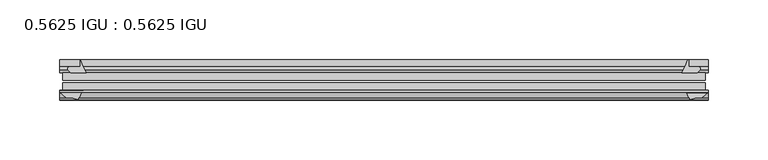
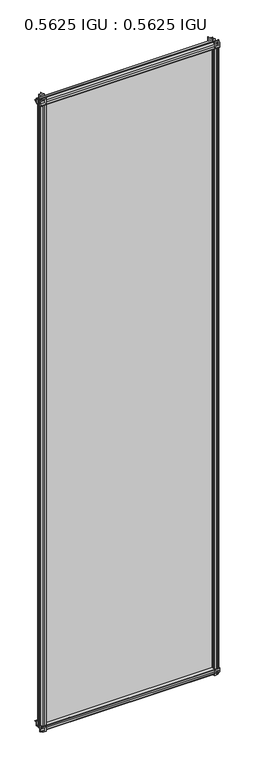
"""IFC4 building model written with IfcOpenShell, lengths in millimetres: plate geometry, 0.5625 IGU : 0.5625 IGU."""

from ifc_helpers import new_model, si_unit, point, frame, frame_2d, origin, place, context, project, spatial, polyline, circle_curve, trimmed, segment, composite_curve, outline, extrude, source, transform, mapped, element, save


def plate_0_5625_igu_0_5625_igu_9ad511dd(model_context):
    return source(origin(), model_context, "Body", "SweptSolid", [
        extrude(outline(composite_curve([segment(trimmed(circle_curve(frame_2d((-37.8345654, 15.3636795)), 15.5602222), [point((-35.093275, 0.0468313))], [point((-27.955875, 3.3415337))], True, "CARTESIAN"), True, "CONTINUOUS"), segment(polyline([(-27.955875, 3.3415337), (-27.955875, -17.9974199)]), True, "CONTINUOUS"), segment(trimmed(circle_curve(frame_2d((-28.971875, -17.9974199)), 1.016), [point((-27.955875, -17.9974199))], [point((-29.7387172, -18.6639099))], False, "CARTESIAN"), True, "CONTINUOUS"), segment(polyline([(-29.7387172, -18.6639099), (-34.305875, -13.4090837), (-34.305875, -7.4052024), (-35.880675, -1.5279687), (-34.305875, -1.5279687), (-34.305875, -0.7405687)]), True, "CONTINUOUS"), segment(trimmed(circle_curve(frame_2d((-35.093275, -0.7405687)), 0.7874), [point((-34.305875, -0.7405687))], [point((-35.093275, 0.0468313))], True, "CARTESIAN"), True, "CONTINUOUS")], self_intersect=False)), frame((-272.2622763, 0.0, 0.0), z_axis=(1.0, 0.0, 0.0), x_axis=(0.0, 1.0, 0.0)), (0.0, 0.0, 1.0), 544.5245525),
        extrude(outline(composite_curve([segment(trimmed(circle_curve(frame_2d((11.4445684, 45.0767023)), 47.0962123), [point((-13.096875, 4.8800511))], [point((-2.198896, 0.0))], True, "CARTESIAN"), True, "CONTINUOUS"), segment(polyline([(-2.198896, 0.0), (-8.321675, 0.0), (-8.321675, -9.0936065)]), True, "CONTINUOUS"), segment(trimmed(circle_curve(frame_2d((-9.9050751, -9.085239)), 1.5834222), [point((-8.321675, -9.0936065))], [point((-11.0877177, -10.1381313))], False, "CARTESIAN"), True, "CONTINUOUS"), segment(polyline([(-11.0877177, -10.1381313), (-13.096875, -7.8711888), (-13.096875, 4.8800511)]), True, "CONTINUOUS")], self_intersect=False)), frame((-272.2622763, 0.0, 0.0), z_axis=(1.0, 0.0, 0.0), x_axis=(0.0, 1.0, 0.0)), (0.0, 0.0, 1.0), 544.5245525),
        extrude(outline(composite_curve([segment(polyline([(-34.305875, 2013.6590837), (-29.7387172, 2018.9139099)]), True, "CONTINUOUS"), segment(trimmed(circle_curve(frame_2d((-28.971875, 2018.2474199)), 1.016), [point((-29.7387172, 2018.9139099))], [point((-27.955875, 2018.2474199))], False, "CARTESIAN"), True, "CONTINUOUS"), segment(polyline([(-27.955875, 2018.2474199), (-27.955875, 1996.9084663)]), True, "CONTINUOUS"), segment(trimmed(circle_curve(frame_2d((-37.8345654, 1984.8863205)), 15.5602222), [point((-27.955875, 1996.9084663))], [point((-35.093275, 2000.2031687))], True, "CARTESIAN"), True, "CONTINUOUS"), segment(trimmed(circle_curve(frame_2d((-35.093275, 2000.9905687)), 0.7874), [point((-35.093275, 2000.2031687))], [point((-34.305875, 2000.9905687))], True, "CARTESIAN"), True, "CONTINUOUS"), segment(polyline([(-34.305875, 2000.9905687), (-34.305875, 2001.7779687), (-35.880675, 2001.7779687), (-34.305875, 2007.6552024), (-34.305875, 2013.6590837)]), True, "CONTINUOUS")], self_intersect=False)), frame((-272.2622763, 0.0, 0.0), z_axis=(1.0, 0.0, 0.0), x_axis=(0.0, 1.0, 0.0)), (0.0, 0.0, 1.0), 544.5245525),
        extrude(outline(composite_curve([segment(trimmed(circle_curve(frame_2d((-9.9050751, 2009.335239)), 1.5834222), [point((-11.0877177, 2010.3881313))], [point((-8.321675, 2009.3436065))], False, "CARTESIAN"), True, "CONTINUOUS"), segment(polyline([(-8.321675, 2009.3436065), (-8.321675, 2000.25), (-2.198896, 2000.25)]), True, "CONTINUOUS"), segment(trimmed(circle_curve(frame_2d((11.4445684, 1955.1732977)), 47.0962123), [point((-2.198896, 2000.25))], [point((-13.096875, 1995.3699489))], True, "CARTESIAN"), True, "CONTINUOUS"), segment(polyline([(-13.096875, 1995.3699489), (-13.096875, 2008.1211888), (-11.0877177, 2010.3881313)]), True, "CONTINUOUS")], self_intersect=False)), frame((-272.2622763, 0.0, 0.0), z_axis=(1.0, 0.0, 0.0), x_axis=(0.0, 1.0, 0.0)), (0.0, 0.0, 1.0), 544.5245525),
        extrude(outline(composite_curve([segment(polyline([(255.6331561, -8.321675), (263.9024378, -8.321675)]), True, "CONTINUOUS"), segment(trimmed(circle_curve(frame_2d((263.8940703, -9.9050751)), 1.5834222), [point((263.9024378, -8.321675))], [point((264.9469626, -11.0877177))], False, "CARTESIAN"), True, "CONTINUOUS"), segment(polyline([(264.9469626, -11.0877177), (262.68002, -13.096875), (249.9287802, -13.096875)]), True, "CONTINUOUS"), segment(trimmed(circle_curve(frame_2d((209.7321289, 11.4445684)), 47.0962123), [point((249.9287802, -13.096875))], [point((254.762, -2.352675))], True, "CARTESIAN"), True, "CONTINUOUS"), segment(polyline([(254.762, -2.352675), (255.6331561, -2.5510821), (255.6331561, -8.321675)]), True, "CONTINUOUS")], self_intersect=False)), frame((0.0, 0.0, -19.0134199), z_axis=(0.0, 0.0, 1.0), x_axis=(1.0, 0.0, 0.0)), (0.0, 0.0, 1.0), 2037.9273298),
        extrude(outline(composite_curve([segment(trimmed(circle_curve(frame_2d((271.2462763, -28.971875)), 1.016), [point((271.2462763, -27.955875))], [point((271.9127663, -29.7387172))], False, "CARTESIAN"), True, "CONTINUOUS"), segment(polyline([(271.9127663, -29.7387172), (266.6579401, -34.305875), (262.6458336, -34.305875), (256.7686, -35.880675), (256.7686, -34.305875), (255.6782443, -34.305875)]), True, "CONTINUOUS"), segment(trimmed(circle_curve(frame_2d((244.0422917, -36.1215237)), 11.7767556), [point((255.6782443, -34.305875))], [point((252.5284071, -27.955875))], True, "CARTESIAN"), True, "CONTINUOUS"), segment(polyline([(252.5284071, -27.955875), (271.2462763, -27.955875)]), True, "CONTINUOUS")], self_intersect=False)), frame((0.0, 0.0, -19.0134199), z_axis=(0.0, 0.0, 1.0), x_axis=(1.0, 0.0, 0.0)), (0.0, 0.0, 1.0), 2037.9273298),
        extrude(outline(composite_curve([segment(trimmed(circle_curve(frame_2d((-209.7321289, 11.4445684)), 47.0962123), [point((-254.7122882, -2.5138875))], [point((-249.9287802, -13.096875))], True, "CARTESIAN"), True, "CONTINUOUS"), segment(polyline([(-249.9287802, -13.096875), (-262.68002, -13.096875), (-264.9469626, -11.0877177)]), True, "CONTINUOUS"), segment(trimmed(circle_curve(frame_2d((-263.8940703, -9.9050751)), 1.5834222), [point((-264.9469626, -11.0877177))], [point((-263.9024378, -8.321675))], False, "CARTESIAN"), True, "CONTINUOUS"), segment(polyline([(-263.9024378, -8.321675), (-254.7122882, -8.321675), (-254.7122882, -2.5138875)]), True, "CONTINUOUS")], self_intersect=False)), frame((0.0, 0.0, -19.0134199), z_axis=(0.0, 0.0, 1.0), x_axis=(1.0, 0.0, 0.0)), (0.0, 0.0, 1.0), 2038.2768398),
        extrude(outline(composite_curve([segment(trimmed(circle_curve(frame_2d((-244.0422917, -36.1215237)), 11.7767556), [point((-252.5284071, -27.955875))], [point((-255.6782443, -34.305875))], True, "CARTESIAN"), True, "CONTINUOUS"), segment(polyline([(-255.6782443, -34.305875), (-256.7686, -34.305875), (-256.7686, -35.880675), (-262.6458336, -34.305875), (-266.6579401, -34.305875), (-271.9127663, -29.7387172)]), True, "CONTINUOUS"), segment(trimmed(circle_curve(frame_2d((-271.2462763, -28.971875)), 1.016), [point((-271.9127663, -29.7387172))], [point((-271.2462763, -27.955875))], False, "CARTESIAN"), True, "CONTINUOUS"), segment(polyline([(-271.2462763, -27.955875), (-252.5284071, -27.955875)]), True, "CONTINUOUS")], self_intersect=False)), frame((0.0, 0.0, -19.0134199), z_axis=(0.0, 0.0, 1.0), x_axis=(1.0, 0.0, 0.0)), (0.0, 0.0, 1.0), 2038.2768398),
        extrude(outline(polyline([(-269.4813, -13.096875), (269.4813, -13.096875), (269.4813, -19.396075), (-269.4813, -19.396075), (-269.4813, -13.096875)])), frame((0.0, 0.0, -13.5929687), z_axis=(0.0, 0.0, 1.0), x_axis=(1.0, 0.0, 0.0)), (0.0, 0.0, 1.0), 2027.4359375),
        extrude(outline(polyline([(269.4813, -21.656675), (269.4813, -27.955875), (-269.4813, -27.955875), (-269.4813, -21.656675), (269.4813, -21.656675)])), frame((0.0, 0.0, -13.5929687), z_axis=(0.0, 0.0, 1.0), x_axis=(1.0, 0.0, 0.0)), (0.0, 0.0, 1.0), 2027.4359375),
    ])


if __name__ == "__main__":
    model = new_model("IFC4")
    model_context = context("Model", 3, world=origin())
    ifc_project = project(units=[si_unit("LENGTHUNIT", "METRE", prefix="MILLI")], contexts=[model_context])
    site = spatial("IfcSite", under=ifc_project)
    building = spatial("IfcBuilding", under=site)
    placement = place(None, origin())
    plate_0_5625_igu_0_5625_igu_shape = plate_0_5625_igu_0_5625_igu_9ad511dd(model_context)
    element("IfcPlate", 1, ObjectType="0.5625 IGU : 0.5625 IGU", at=placement, inside=building, context=model_context, shape_type="MappedRepresentation", body=[
        mapped(plate_0_5625_igu_0_5625_igu_shape, transform((0.0, 0.0, 0.0), x_axis=(1.0, 0.0, 0.0), y_axis=(0.0, 1.0, 0.0), z_axis=(0.0, 0.0, 1.0))),
    ])
    save(model, "model.ifc")
